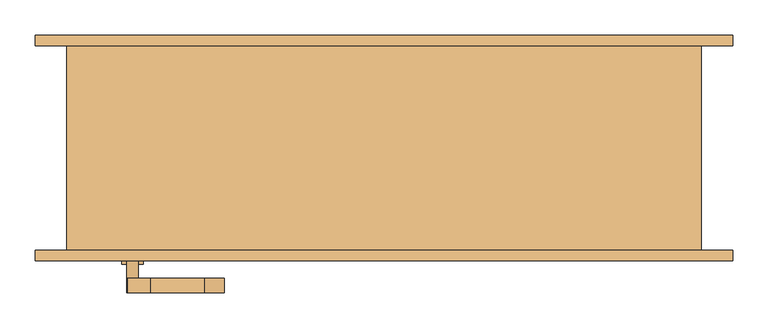
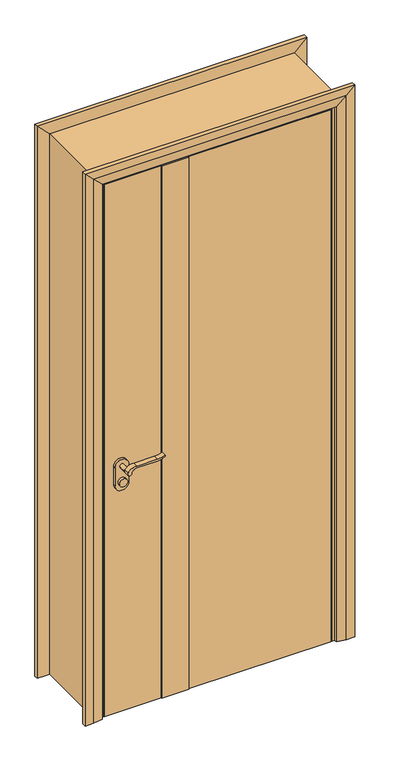
"""IFC4 building model written with IfcOpenShell, lengths in millimetres: door geometry."""

from ifc_helpers import new_model, si_unit, point, frame, frame_2d, origin, origin_with_axes, place, context, project, spatial, polyline, circle_curve, trimmed, segment, composite_curve, outline, extrude, faceted_brep, source, transform, mapped, element, save


def door_a889851a(model_context):
    return source(origin(), model_context, "Body", "SolidModel", [
        extrude(outline(composite_curve([segment(trimmed(circle_curve(frame_2d((900.0, -357.0)), 15.0), [point((900.0, -342.0))], [point((900.0, -372.0))], False, "CARTESIAN"), True, "CONTINUOUS"), segment(trimmed(circle_curve(frame_2d((900.0, -357.0)), 15.0), [point((900.0, -372.0))], [point((900.0, -342.0))], False, "CARTESIAN"), True, "CONTINUOUS")], self_intersect=False)), frame((0.0, -165.0, 0.0), z_axis=(0.0, 1.0, 0.0), x_axis=(0.0, 0.0, 1.0)), (0.0, 0.0, 1.0), 10.0),
        extrude(outline(composite_curve([segment(trimmed(circle_curve(frame_2d((900.0, -357.0)), 15.0), [point((900.0, -342.0))], [point((900.0, -372.0))], False, "CARTESIAN"), True, "CONTINUOUS"), segment(trimmed(circle_curve(frame_2d((900.0, -357.0)), 15.0), [point((900.0, -372.0))], [point((900.0, -342.0))], False, "CARTESIAN"), True, "CONTINUOUS")], self_intersect=False)), frame((0.0, -85.0, 0.0), z_axis=(0.0, 1.0, 0.0), x_axis=(0.0, 0.0, 1.0)), (0.0, 0.0, 1.0), 10.0),
        extrude(outline(composite_curve([segment(trimmed(circle_curve(frame_2d((960.0, -357.0)), 8.0), [point((964.6523287, -363.5081363))], [point((960.0, -349.0))], False, "CARTESIAN"), True, "CONTINUOUS"), segment(trimmed(circle_curve(frame_2d((954.8738613, -331.6138099)), 18.1261387), [point((960.0, -349.0))], [point((973.0, -331.6138099))], True, "CARTESIAN"), True, "CONTINUOUS"), segment(polyline([(973.0, -331.6138099), (973.0, -255.3564091)]), True, "CONTINUOUS"), segment(trimmed(circle_curve(frame_2d((1032.2709207, -258.9396612)), 59.3791355), [point((973.0, -255.3564091))], [point((982.2135558, -227.0))], False, "CARTESIAN"), True, "CONTINUOUS"), segment(polyline([(982.2135558, -227.0), (985.0, -227.0)]), True, "CONTINUOUS"), segment(trimmed(circle_curve(frame_2d((1063.2850638, -255.4227909)), 83.2850902), [point((985.0, -227.0))], [point((980.0, -255.3564091))], True, "CARTESIAN"), True, "CONTINUOUS"), segment(polyline([(980.0, -255.3564091), (980.0, -331.6325667)]), True, "CONTINUOUS"), segment(trimmed(circle_curve(frame_2d((942.7555521, -333.3324871)), 37.2832219), [point((980.0, -331.6325667))], [point((964.6523287, -363.5081363))], False, "CARTESIAN"), True, "CONTINUOUS")], self_intersect=False)), frame((0.0, -205.0, 0.0), z_axis=(0.0, 1.0, 0.0), x_axis=(0.0, 0.0, 1.0)), (0.0, 0.0, 1.0), 20.0),
        extrude(outline(composite_curve([segment(trimmed(circle_curve(frame_2d((954.8738682, -331.6138122)), 18.1261318), [point((959.9999903, -349.0))], [point((973.0, -331.6138122))], True, "CARTESIAN"), True, "CONTINUOUS"), segment(polyline([(973.0, -331.6138122), (973.0, -255.3564091)]), True, "CONTINUOUS"), segment(trimmed(circle_curve(frame_2d((1032.2709207, -258.9396612)), 59.3791355), [point((973.0, -255.3564091))], [point((982.2135558, -227.0))], False, "CARTESIAN"), True, "CONTINUOUS"), segment(polyline([(982.2135558, -227.0), (985.0, -227.0)]), True, "CONTINUOUS"), segment(trimmed(circle_curve(frame_2d((1063.2850638, -255.4227909)), 83.2850902), [point((985.0, -227.0))], [point((980.0, -255.3564091))], True, "CARTESIAN"), True, "CONTINUOUS"), segment(polyline([(980.0, -255.3564091), (980.0, -331.6325667)]), True, "CONTINUOUS"), segment(trimmed(circle_curve(frame_2d((942.7555521, -333.3324871)), 37.2832219), [point((980.0, -331.6325667))], [point((964.6523287, -363.5081363))], False, "CARTESIAN"), True, "CONTINUOUS"), segment(trimmed(circle_curve(frame_2d((960.0, -357.0)), 8.0), [point((964.6523287, -363.5081363))], [point((959.9999903, -349.0))], False, "CARTESIAN"), True, "CONTINUOUS")], self_intersect=False)), frame((0.0, -55.0, 0.0), z_axis=(0.0, 1.0, 0.0), x_axis=(0.0, 0.0, 1.0)), (0.0, 0.0, 1.0), 20.0),
        extrude(outline(composite_curve([segment(trimmed(circle_curve(frame_2d((960.0, -357.0)), 8.0), [point((960.0, -349.0))], [point((960.0, -365.0))], False, "CARTESIAN"), True, "CONTINUOUS"), segment(trimmed(circle_curve(frame_2d((960.0, -357.0)), 8.0), [point((960.0, -365.0))], [point((960.0, -349.0))], False, "CARTESIAN"), True, "CONTINUOUS")], self_intersect=False)), frame((0.0, -185.0, 0.0), z_axis=(0.0, 1.0, 0.0), x_axis=(0.0, 0.0, 1.0)), (0.0, 0.0, 1.0), 30.0),
        extrude(outline(composite_curve([segment(trimmed(circle_curve(frame_2d((960.0, -357.0)), 8.0), [point((960.0, -349.0))], [point((960.0, -365.0))], False, "CARTESIAN"), True, "CONTINUOUS"), segment(trimmed(circle_curve(frame_2d((960.0, -357.0)), 8.0), [point((960.0, -365.0))], [point((960.0, -349.0))], False, "CARTESIAN"), True, "CONTINUOUS")], self_intersect=False)), frame((0.0, -85.0, 0.0), z_axis=(0.0, 1.0, 0.0), x_axis=(0.0, 0.0, 1.0)), (0.0, 0.0, 1.0), 30.0),
        extrude(outline(composite_curve([segment(trimmed(circle_curve(frame_2d((890.0, -357.0)), 25.0), [point((890.0, -382.0))], [point((890.0, -332.0))], False, "CARTESIAN"), True, "CONTINUOUS"), segment(polyline([(890.0, -332.0), (960.0, -332.0)]), True, "CONTINUOUS"), segment(trimmed(circle_curve(frame_2d((960.0, -357.0)), 25.0), [point((960.0, -332.0))], [point((960.0, -382.0))], False, "CARTESIAN"), True, "CONTINUOUS"), segment(polyline([(960.0, -382.0), (890.0, -382.0)]), True, "CONTINUOUS")], self_intersect=False)), frame((0.0, -155.0, 0.0), z_axis=(0.0, 1.0, 0.0), x_axis=(0.0, 0.0, 1.0)), (0.0, 0.0, 1.0), 10.0),
        extrude(outline(composite_curve([segment(trimmed(circle_curve(frame_2d((890.0, -357.0)), 25.0), [point((890.0, -382.0))], [point((890.0, -332.0))], False, "CARTESIAN"), True, "CONTINUOUS"), segment(polyline([(890.0, -332.0), (960.0, -332.0)]), True, "CONTINUOUS"), segment(trimmed(circle_curve(frame_2d((960.0, -357.0)), 25.0), [point((960.0, -332.0))], [point((960.0, -382.0))], False, "CARTESIAN"), True, "CONTINUOUS"), segment(polyline([(960.0, -382.0), (890.0, -382.0)]), True, "CONTINUOUS")], self_intersect=False)), frame((0.0, -95.0, 0.0), z_axis=(0.0, 1.0, 0.0), x_axis=(0.0, 0.0, 1.0)), (0.0, 0.0, 1.0), 10.0),
        extrude(outline(polyline([(-207.0, -148.0), (-207.0, -92.0), (-107.0, -92.0), (-107.0, -148.0), (-207.0, -148.0)])), origin_with_axes(), (0.0, 0.0, 1.0), 2067.0),
        faceted_brep([(-420.0, -145.0, 0.0), (-450.0, -145.0, 0.0), (-450.0, 145.0, 0.0), (-405.0, 145.0, 0.0), (-405.0, -92.0, 0.0), (-420.0, -92.0, 0.0), (-420.0, -92.0, 2070.0), (-420.0, -145.0, 2070.0), (-405.0, -92.0, 2055.0), (-405.0, 145.0, 2055.0), (-450.0, 145.0, 2100.0), (-450.0, -145.0, 2100.0), (420.0, -92.0, 2070.0), (420.0, -145.0, 2070.0), (405.0, -92.0, 2055.0), (405.0, 145.0, 2055.0), (450.0, 145.0, 2100.0), (450.0, -145.0, 2100.0), (420.0, -145.0, 0.0), (420.0, -92.0, 0.0), (405.0, -92.0, 0.0), (405.0, 145.0, 0.0), (450.0, 145.0, 0.0), (450.0, -145.0, 0.0)], [[[0, 1, 2, 3, 4, 5]], [[5, 6, 7, 0]], [[4, 8, 6, 5]], [[3, 9, 8, 4]], [[2, 10, 9, 3]], [[1, 11, 10, 2]], [[0, 7, 11, 1]], [[6, 12, 13, 7]], [[8, 14, 12, 6]], [[9, 15, 14, 8]], [[10, 16, 15, 9]], [[11, 17, 16, 10]], [[7, 13, 17, 11]], [[18, 19, 20, 21, 22, 23]], [[12, 19, 18, 13]], [[14, 20, 19, 12]], [[15, 21, 20, 14]], [[16, 22, 21, 15]], [[17, 23, 22, 16]], [[13, 18, 23, 17]]]),
        extrude(outline(polyline([(417.0, -95.0), (417.0, -145.0), (-107.0, -145.0), (-107.0, -95.0), (417.0, -95.0)])), origin_with_axes(), (0.0, 0.0, 1.0), 2067.0),
        extrude(outline(polyline([(-207.0, -95.0), (-207.0, -145.0), (-417.0, -145.0), (-417.0, -95.0), (-207.0, -95.0)])), origin_with_axes(), (0.0, 0.0, 1.0), 2067.0),
        faceted_brep([(-495.0, -145.0, 0.0), (-430.0, -145.0, 0.0), (-430.0, -155.0, 0.0), (-465.0, -160.0, 0.0), (-495.0, -160.0, 0.0), (-495.0, -160.0, 2145.0), (-495.0, -145.0, 2145.0), (-465.0, -160.0, 2115.0), (-430.0, -155.0, 2080.0), (-430.0, -145.0, 2080.0), (495.0, -160.0, 2145.0), (495.0, -145.0, 2145.0), (465.0, -160.0, 2115.0), (430.0, -155.0, 2080.0), (430.0, -145.0, 2080.0), (495.0, -145.0, 0.0), (495.0, -160.0, 0.0), (465.0, -160.0, 0.0), (430.0, -155.0, 0.0), (430.0, -145.0, 0.0)], [[[0, 1, 2, 3, 4]], [[4, 5, 6, 0]], [[3, 7, 5, 4]], [[2, 8, 7, 3]], [[1, 9, 8, 2]], [[0, 6, 9, 1]], [[5, 10, 11, 6]], [[7, 12, 10, 5]], [[8, 13, 12, 7]], [[9, 14, 13, 8]], [[6, 11, 14, 9]], [[15, 16, 17, 18, 19]], [[10, 16, 15, 11]], [[12, 17, 16, 10]], [[13, 18, 17, 12]], [[14, 19, 18, 13]], [[11, 15, 19, 14]]]),
        faceted_brep([(-430.0, 155.0, 0.0), (-430.0, 145.0, 0.0), (-495.0, 145.0, 0.0), (-495.0, 160.0, 0.0), (-465.0, 160.0, 0.0), (-465.0, 160.0, 2115.0), (-430.0, 155.0, 2080.0), (-495.0, 160.0, 2145.0), (-495.0, 145.0, 2145.0), (-430.0, 145.0, 2080.0), (465.0, 160.0, 2115.0), (430.0, 155.0, 2080.0), (495.0, 160.0, 2145.0), (495.0, 145.0, 2145.0), (430.0, 145.0, 2080.0), (430.0, 155.0, 0.0), (465.0, 160.0, 0.0), (495.0, 160.0, 0.0), (495.0, 145.0, 0.0), (430.0, 145.0, 0.0)], [[[0, 1, 2, 3, 4]], [[4, 5, 6, 0]], [[3, 7, 5, 4]], [[2, 8, 7, 3]], [[1, 9, 8, 2]], [[0, 6, 9, 1]], [[5, 10, 11, 6]], [[7, 12, 10, 5]], [[8, 13, 12, 7]], [[9, 14, 13, 8]], [[6, 11, 14, 9]], [[15, 16, 17, 18, 19]], [[10, 16, 15, 11]], [[12, 17, 16, 10]], [[13, 18, 17, 12]], [[14, 19, 18, 13]], [[11, 15, 19, 14]]]),
    ])


if __name__ == "__main__":
    model = new_model("IFC4")
    model_context = context("Model", 3, world=origin())
    ifc_project = project(units=[si_unit("LENGTHUNIT", "METRE", prefix="MILLI")], contexts=[model_context])
    site = spatial("IfcSite", under=ifc_project)
    building = spatial("IfcBuilding", under=site)
    placement = place(None, origin())
    door_shape = door_a889851a(model_context)
    element("IfcDoor", 1, at=placement, inside=building, context=model_context, shape_type="MappedRepresentation", body=[
        mapped(door_shape, transform((0.0, 0.0, 0.0), x_axis=(1.0, 0.0, 0.0), y_axis=(0.0, 1.0, 0.0), z_axis=(0.0, 0.0, 1.0))),
    ])
    save(model, "model.ifc")
